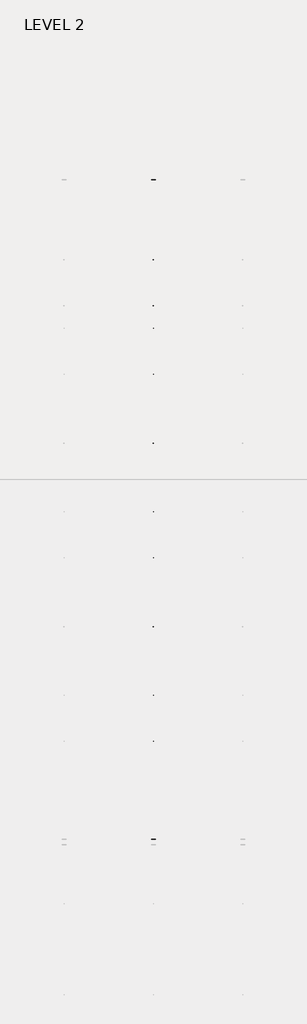
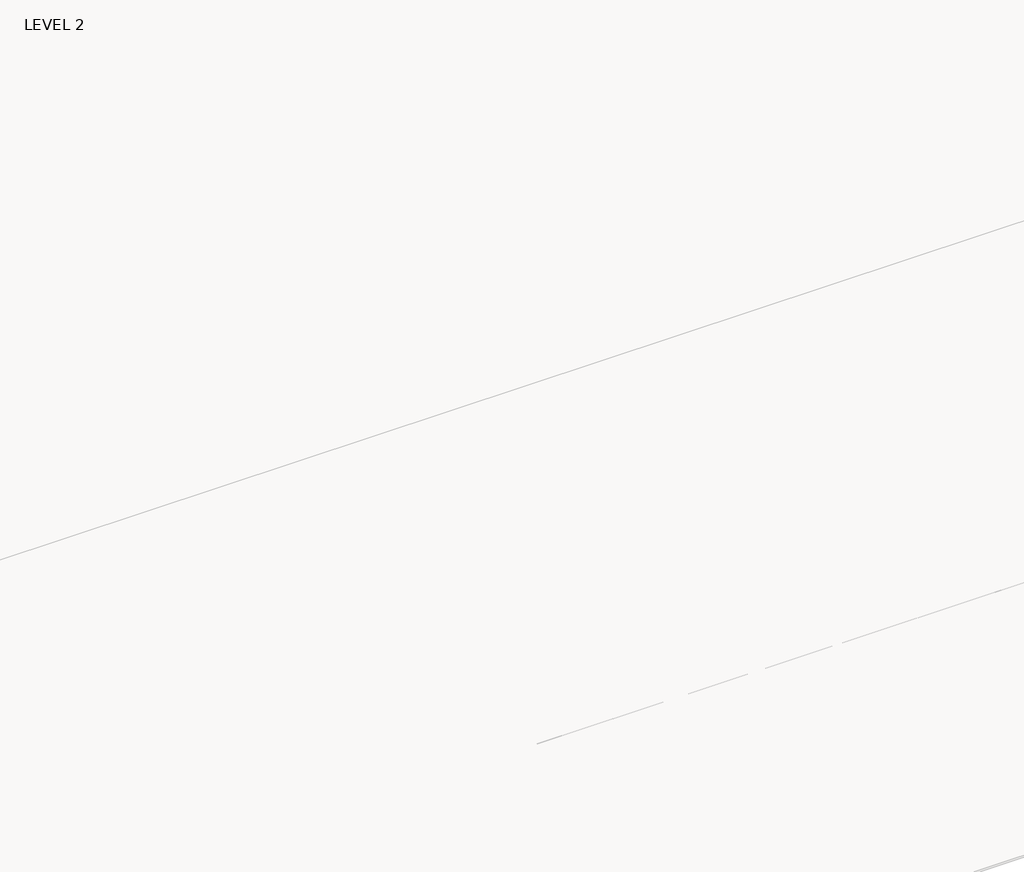
# One storey, part 49 of 67: 1 beam.
"""IFC4 building model written with IfcOpenShell, lengths in millimetres."""

from ifc_helpers import new_model, si_unit, frame, origin, place, context, project, spatial, polyline, outline, extrude, faceted_brep, element, save

model = new_model("IFC4")

# Units and contexts
model_context = context("Model", 3, world=origin())
ifc_project = project(units=[si_unit("LENGTHUNIT", "METRE", prefix="MILLI")], contexts=[model_context])

# Site, building, storey
site = spatial("IfcSite", under=ifc_project)
building = spatial("IfcBuilding", under=site)
storey = spatial("IfcBuildingStorey", under=building, Name="LEVEL 2", Elevation=6908.8)

# Beam
placement = place(None, origin())
element("IfcBeam", 1, ObjectType="K-Series Bar Joist-Angle Web : 30K7", at=placement, inside=storey, context=model_context, shape_type="SolidModel", body=[
    extrude(outline(polyline([(0.0, -9.525), (0.0, 0.0), (1596.011582, 0.0), (1596.011582, -9.525), (0.0, -9.525)])), frame((43982.2218142, 3035.5608234, 6301.5998528), z_axis=(0.0, -0.45537207995192985, 0.8903012236317849), x_axis=(0.0, -0.8903012236317849, -0.45537207995192985)), (0.0, 0.0, 1.0), 9.525),
    extrude(outline(polyline([(0.0, -9.525), (0.0, 0.0), (1596.011582, 0.0), (1596.011582, -9.525), (0.0, -9.525)])), frame((43972.6968142, -9405.2089013, 6276.405159), z_axis=(0.0, 0.45176233395621196, 0.8921383265046045), x_axis=(0.0, 0.8921383265046045, -0.45176233395621196)), (0.0, 0.0, 1.0), 9.525),
    extrude(outline(polyline([(4.7625, 4.7625), (4.7625, -4.7625), (-4.7625, -4.7625), (-4.7625, 4.7625), (4.7625, 4.7625)])), frame((43977.4593142, 1612.4610495, 5579.0607987), z_axis=(0.0, 0.5141906943646374, 0.8576758885667779), x_axis=(-1.0, 0.0, 0.0)), (0.0, 0.0, 1.0), 845.0528554),
    extrude(outline(polyline([(4.7625, 4.7625), (4.7625, -4.7625), (-4.7625, -4.7625), (-4.7625, 4.7625), (4.7625, 4.7625)])), frame((43977.4593142, -7979.1942813, 5559.6360505), z_axis=(0.0, -0.5176603441548682, 0.8555862131249332), x_axis=(-1.0, 0.0, 0.0)), (0.0, 0.0, 1.0), 845.0528554),
    extrude(outline(polyline([(0.0, 0.0), (31.75, 0.0), (31.75, -6.35), (6.35, -6.35), (6.35, -31.75), (0.0, -31.75), (0.0, 0.0)])), frame((43982.2218142, -8080.7812131, 5553.0803065), z_axis=(0.0, 0.9999979493462576, 0.0020251674695521043), x_axis=(1.0, 0.0, 0.0)), (0.0, 0.0, 1.0), 9794.875),
    extrude(outline(polyline([(-9.525, 0.0), (-9.525, -31.75), (-15.875, -31.75), (-15.875, -6.35), (-41.275, -6.35), (-41.275, 0.0), (-9.525, 0.0)])), frame((43982.2218142, -8080.7812131, 5553.0803065), z_axis=(0.0, 0.9999979493462576, 0.0020251674695521043), x_axis=(1.0, 0.0, 0.0)), (0.0, 0.0, 1.0), 9794.875),
    extrude(outline(polyline([(-31.75, 0.0), (0.0, 0.0), (0.0, -6.35), (-25.4, -6.35), (-25.4, -31.75), (-31.75, -31.75), (-31.75, 0.0)])), frame((44013.9718142, -9504.5928758, 6248.6982759), z_axis=(0.0, 0.9999979493462576, 0.0020251674695521043), x_axis=(1.0, 0.0, 0.0)), (0.0, 0.0, 1.0), 101.6),
    extrude(outline(polyline([(-41.275, 0.0), (-41.275, -31.75), (-47.625, -31.75), (-47.625, -6.35), (-73.025, -6.35), (-73.025, 0.0), (-41.275, 0.0)])), frame((44013.9718142, -9504.5928758, 6248.6982759), z_axis=(0.0, 0.9999979493462576, 0.0020251674695521043), x_axis=(1.0, 0.0, 0.0)), (0.0, 0.0, 1.0), 101.6),
    extrude(outline(polyline([(0.0, 0.0), (31.75, 0.0), (31.75, -6.35), (6.35, -6.35), (6.35, -31.75), (0.0, -31.75), (0.0, 0.0)])), frame((43972.6968142, 3033.456413, 6274.0899775), z_axis=(0.0, 0.9999979493462576, 0.0020251674695521043), x_axis=(0.0, -0.0020251674695521043, 0.9999979493462576)), (0.0, 0.0, 1.0), 101.6),
    extrude(outline(polyline([(0.0, 41.275), (6.35, 41.275), (6.35, 15.875), (31.75, 15.875), (31.75, 9.525), (0.0, 9.525), (0.0, 41.275)])), frame((43972.6968142, 3033.456413, 6274.0899775), z_axis=(0.0, 0.9999979493462576, 0.0020251674695521043), x_axis=(0.0, -0.0020251674695521043, 0.9999979493462576)), (0.0, 0.0, 1.0), 101.6),
    extrude(outline(polyline([(0.0, 0.0), (31.75, 0.0), (31.75, -6.35), (6.35, -6.35), (6.35, -31.75), (0.0, -31.75), (0.0, 0.0)])), frame((43982.2218142, -9504.7214739, 6312.1981457), z_axis=(0.0, 0.9999979493462576, 0.0020251674695521043), x_axis=(0.0, 0.0020251674695521043, -0.9999979493462576)), (0.0, 0.0, 1.0), 12639.675),
    extrude(outline(polyline([(0.0, 9.525), (0.0, 41.275), (6.35, 41.275), (6.35, 15.875), (31.75, 15.875), (31.75, 9.525), (0.0, 9.525)])), frame((43982.2218142, -9504.7214739, 6312.1981457), z_axis=(0.0, 0.9999979493462576, 0.0020251674695521043), x_axis=(0.0, 0.0020251674695521043, -0.9999979493462576)), (0.0, 0.0, 1.0), 12639.675),
    faceted_brep([(43977.4593142, 1612.4289, 5594.9357661), (43977.4593142, 1612.4674794, 5575.8858052), (43972.6968142, 1612.4674794, 5575.8858052), (43972.6968142, 1612.4289, 5594.9357661), (43977.4593142, 1611.5910583, 5594.9340693), (43977.4593142, 1186.8149607, 6330.6753354), (43977.4593142, 1168.6028414, 6330.6384527), (43977.4593142, 1168.6414208, 6311.5884918), (43977.4593142, 1175.8292494, 6311.6030483), (43977.4593142, 1600.6053471, 5575.8617823), (43972.6968142, 1600.6053471, 5575.8617823), (43972.6968142, 1580.4651011, 5610.7460665), (43972.6968142, 1584.5895575, 5613.1272983), (43972.6968142, 1189.1083632, 6298.1277874), (43972.6968142, 1184.9839067, 6295.7465555), (43972.6968142, 1175.8292494, 6311.6030483), (43972.6968142, 1168.6414208, 6311.5884918), (43972.6968142, 1168.6028414, 6330.6384527), (43972.6968142, 1186.8149607, 6330.6753354), (43972.6968142, 1611.5910583, 5594.9340693), (43959.9968142, 1184.9839067, 6295.7465555), (43959.9968142, 1580.4651011, 5610.7460665), (43959.9968142, 1584.5895575, 5613.1272983), (43959.9968142, 1189.1083632, 6298.1277874)], [[[0, 1, 2, 3]], [[1, 0, 4, 5, 6, 7, 8, 9]], [[2, 1, 9, 10]], [[3, 2, 10, 11, 12, 13, 14, 15, 16, 17, 18, 19]], [[0, 3, 19, 4]], [[9, 8, 15, 14, 20, 21, 11, 10]], [[5, 4, 19, 18]], [[7, 6, 17, 16]], [[8, 7, 16, 15]], [[6, 5, 18, 17]], [[21, 22, 12, 11]], [[20, 14, 13, 23]], [[22, 21, 20, 23]], [[12, 22, 23, 13]]]),
    extrude(outline(polyline([(740.498813, 5574.119919), (740.4602335, 5593.1698799), (741.2980751, 5593.1715767), (1163.090696, 6330.6272897), (1181.3028154, 6330.6641723), (1181.3413948, 6311.6142114), (1174.1535662, 6311.5996548), (752.3609453, 5574.1439418), (740.498813, 5574.119919)])), frame((43977.4593142, 0.0, 0.0), z_axis=(1.0, 0.0, 0.0), x_axis=(0.0, 1.0, 0.0)), (0.0, 0.0, 1.0), 4.7625),
    extrude(outline(polyline([(-4.7625, 4.7625), (-4.7625, 0.0), (-17.4625, 0.0), (-17.4625, 4.7625), (-4.7625, 4.7625)])), frame((43977.4593142, 772.3597334, 5609.1095144), z_axis=(0.0, 0.4964843899757221, 0.8680456500152716), x_axis=(-1.0, 0.0, 0.0)), (0.0, 0.0, 1.0), 790.9684223),
    faceted_brep([(43977.4593142, -7107.2577644, 5577.2769041), (43977.4593142, -7107.219185, 5558.2269432), (43972.6968142, -7107.219185, 5558.2269432), (43972.6968142, -7107.2577644, 5577.2769041), (43977.4593142, -7108.095606, 5577.2752074), (43977.4593142, -7532.8717036, 6313.0164734), (43977.4593142, -7551.083823, 6312.9795907), (43977.4593142, -7551.0452435, 6293.9296298), (43977.4593142, -7543.8574149, 6293.9441864), (43977.4593142, -7119.0813173, 5558.2029203), (43972.6968142, -7119.0813173, 5558.2029203), (43972.6968142, -7139.2215633, 5593.0872045), (43972.6968142, -7135.0971068, 5595.4684363), (43972.6968142, -7530.5783012, 6280.4689254), (43972.6968142, -7534.7027576, 6278.0876936), (43972.6968142, -7543.8574149, 6293.9441864), (43972.6968142, -7551.0452435, 6293.9296298), (43972.6968142, -7551.083823, 6312.9795907), (43972.6968142, -7532.8717036, 6313.0164734), (43972.6968142, -7108.095606, 5577.2752074), (43959.9968142, -7534.7027576, 6278.0876936), (43959.9968142, -7139.2215633, 5593.0872045), (43959.9968142, -7135.0971068, 5595.4684363), (43959.9968142, -7530.5783012, 6280.4689254)], [[[0, 1, 2, 3]], [[1, 0, 4, 5, 6, 7, 8, 9]], [[2, 1, 9, 10]], [[3, 2, 10, 11, 12, 13, 14, 15, 16, 17, 18, 19]], [[0, 3, 19, 4]], [[9, 8, 15, 14, 20, 21, 11, 10]], [[5, 4, 19, 18]], [[7, 6, 17, 16]], [[8, 7, 16, 15]], [[6, 5, 18, 17]], [[21, 22, 12, 11]], [[20, 14, 13, 23]], [[22, 21, 20, 23]], [[12, 22, 23, 13]]]),
    extrude(outline(polyline([(-7979.1878514, 5556.461057), (-7979.2264308, 5575.5110179), (-7978.3885892, 5575.5127147), (-7556.5959683, 6312.9684277), (-7538.383849, 6313.0053103), (-7538.3452696, 6293.9553494), (-7545.5330982, 6293.9407928), (-7967.3257191, 5556.4850798), (-7979.1878514, 5556.461057)])), frame((43977.4593142, 0.0, 0.0), z_axis=(1.0, 0.0, 0.0), x_axis=(0.0, 1.0, 0.0)), (0.0, 0.0, 1.0), 4.7625),
    extrude(outline(polyline([(-4.7625, 4.7625), (-4.7625, 0.0), (-17.4625, 0.0), (-17.4625, 4.7625), (-4.7625, 4.7625)])), frame((43977.4593142, -7947.326931, 5591.4506524), z_axis=(0.0, 0.4964843899757221, 0.8680456500152716), x_axis=(-1.0, 0.0, 0.0)), (0.0, 0.0, 1.0), 790.9684223),
    faceted_brep([(43977.4593142, 740.4602335, 5593.1698799), (43977.4593142, 740.498813, 5574.119919), (43972.6968142, 740.498813, 5574.119919), (43972.6968142, 740.4602335, 5593.1698799), (43977.4593142, 739.6223919, 5593.1681831), (43977.4593142, 314.8462943, 6328.9094492), (43977.4593142, 296.634175, 6328.8725665), (43977.4593142, 296.6727544, 6309.8226056), (43977.4593142, 303.860583, 6309.8371621), (43977.4593142, 728.6366806, 5574.0958961), (43972.6968142, 728.6366806, 5574.0958961), (43972.6968142, 708.4964346, 5608.9801803), (43972.6968142, 712.6208911, 5611.3614121), (43972.6968142, 317.1396968, 6296.3619012), (43972.6968142, 313.0152403, 6293.9806693), (43972.6968142, 303.860583, 6309.8371621), (43972.6968142, 296.6727544, 6309.8226056), (43972.6968142, 296.634175, 6328.8725665), (43972.6968142, 314.8462943, 6328.9094492), (43972.6968142, 739.6223919, 5593.1681831), (43959.9968142, 313.0152403, 6293.9806693), (43959.9968142, 708.4964346, 5608.9801803), (43959.9968142, 712.6208911, 5611.3614121), (43959.9968142, 317.1396968, 6296.3619012)], [[[0, 1, 2, 3]], [[1, 0, 4, 5, 6, 7, 8, 9]], [[2, 1, 9, 10]], [[3, 2, 10, 11, 12, 13, 14, 15, 16, 17, 18, 19]], [[0, 3, 19, 4]], [[9, 8, 15, 14, 20, 21, 11, 10]], [[5, 4, 19, 18]], [[7, 6, 17, 16]], [[8, 7, 16, 15]], [[6, 5, 18, 17]], [[21, 22, 12, 11]], [[20, 14, 13, 23]], [[22, 21, 20, 23]], [[12, 22, 23, 13]]]),
    extrude(outline(polyline([(-131.4698535, 5572.3540328), (-131.5084329, 5591.4039937), (-130.6705913, 5591.4056905), (291.1220296, 6328.8614035), (309.3341489, 6328.8982861), (309.3727284, 6309.8483252), (302.1848998, 6309.8337686), (-119.6077211, 5572.3780556), (-131.4698535, 5572.3540328)])), frame((43977.4593142, 0.0, 0.0), z_axis=(1.0, 0.0, 0.0), x_axis=(0.0, 1.0, 0.0)), (0.0, 0.0, 1.0), 4.7625),
    extrude(outline(polyline([(-4.7625, 4.7625), (-4.7625, 0.0), (-17.4625, 0.0), (-17.4625, 4.7625), (-4.7625, 4.7625)])), frame((43977.4593142, -99.6089331, 5607.3436282), z_axis=(0.0, 0.4964843899757221, 0.8680456500152716), x_axis=(-1.0, 0.0, 0.0)), (0.0, 0.0, 1.0), 790.9684223),
    faceted_brep([(43977.4593142, -131.5084329, 5591.4039937), (43977.4593142, -131.4698535, 5572.3540328), (43972.6968142, -131.4698535, 5572.3540328), (43972.6968142, -131.5084329, 5591.4039937), (43977.4593142, -132.3462745, 5591.4022969), (43977.4593142, -557.1223722, 6327.143563), (43977.4593142, -575.3344915, 6327.1066803), (43977.4593142, -575.295912, 6308.0567194), (43977.4593142, -568.1080834, 6308.0712759), (43977.4593142, -143.3319858, 5572.3300099), (43972.6968142, -143.3319858, 5572.3300099), (43972.6968142, -163.4722318, 5607.2142941), (43972.6968142, -159.3477753, 5609.5955259), (43972.6968142, -554.8289697, 6294.596015), (43972.6968142, -558.9534262, 6292.2147831), (43972.6968142, -568.1080834, 6308.0712759), (43972.6968142, -575.295912, 6308.0567194), (43972.6968142, -575.3344915, 6327.1066803), (43972.6968142, -557.1223722, 6327.143563), (43972.6968142, -132.3462745, 5591.4022969), (43959.9968142, -558.9534262, 6292.2147831), (43959.9968142, -163.4722318, 5607.2142941), (43959.9968142, -159.3477753, 5609.5955259), (43959.9968142, -554.8289697, 6294.596015)], [[[0, 1, 2, 3]], [[1, 0, 4, 5, 6, 7, 8, 9]], [[2, 1, 9, 10]], [[3, 2, 10, 11, 12, 13, 14, 15, 16, 17, 18, 19]], [[0, 3, 19, 4]], [[9, 8, 15, 14, 20, 21, 11, 10]], [[5, 4, 19, 18]], [[7, 6, 17, 16]], [[8, 7, 16, 15]], [[6, 5, 18, 17]], [[21, 22, 12, 11]], [[20, 14, 13, 23]], [[22, 21, 20, 23]], [[12, 22, 23, 13]]]),
    extrude(outline(polyline([(-1003.4385199, 5570.5881466), (-1003.4770993, 5589.6381075), (-1002.6392577, 5589.6398043), (-580.8466368, 6327.0955173), (-562.6345175, 6327.1323999), (-562.5959381, 6308.082439), (-569.7837667, 6308.0678824), (-991.5763876, 5570.6121694), (-1003.4385199, 5570.5881466)])), frame((43977.4593142, 0.0, 0.0), z_axis=(1.0, 0.0, 0.0), x_axis=(0.0, 1.0, 0.0)), (0.0, 0.0, 1.0), 4.7625),
    extrude(outline(polyline([(-4.7625, 4.7625), (-4.7625, 0.0), (-17.4625, 0.0), (-17.4625, 4.7625), (-4.7625, 4.7625)])), frame((43977.4593142, -971.5775995, 5605.577742), z_axis=(0.0, 0.4964843899757221, 0.8680456500152716), x_axis=(-1.0, 0.0, 0.0)), (0.0, 0.0, 1.0), 790.9684223),
    faceted_brep([(43977.4593142, -1003.4770993, 5589.6381075), (43977.4593142, -1003.4385199, 5570.5881466), (43972.6968142, -1003.4385199, 5570.5881466), (43972.6968142, -1003.4770993, 5589.6381075), (43977.4593142, -1004.314941, 5589.6364107), (43977.4593142, -1429.0910386, 6325.3776768), (43977.4593142, -1447.3031579, 6325.3407941), (43977.4593142, -1447.2645785, 6306.2908332), (43977.4593142, -1440.0767499, 6306.3053897), (43977.4593142, -1015.3006522, 5570.5641237), (43972.6968142, -1015.3006522, 5570.5641237), (43972.6968142, -1035.4408983, 5605.4484079), (43972.6968142, -1031.3164418, 5607.8296397), (43972.6968142, -1426.7976361, 6292.8301288), (43972.6968142, -1430.9220926, 6290.4488969), (43972.6968142, -1440.0767499, 6306.3053897), (43972.6968142, -1447.2645785, 6306.2908332), (43972.6968142, -1447.3031579, 6325.3407941), (43972.6968142, -1429.0910386, 6325.3776768), (43972.6968142, -1004.314941, 5589.6364107), (43959.9968142, -1430.9220926, 6290.4488969), (43959.9968142, -1035.4408983, 5605.4484079), (43959.9968142, -1031.3164418, 5607.8296397), (43959.9968142, -1426.7976361, 6292.8301288)], [[[0, 1, 2, 3]], [[1, 0, 4, 5, 6, 7, 8, 9]], [[2, 1, 9, 10]], [[3, 2, 10, 11, 12, 13, 14, 15, 16, 17, 18, 19]], [[0, 3, 19, 4]], [[9, 8, 15, 14, 20, 21, 11, 10]], [[5, 4, 19, 18]], [[7, 6, 17, 16]], [[8, 7, 16, 15]], [[6, 5, 18, 17]], [[21, 22, 12, 11]], [[20, 14, 13, 23]], [[22, 21, 20, 23]], [[12, 22, 23, 13]]]),
    extrude(outline(polyline([(-1875.4071863, 5568.8222604), (-1875.4457658, 5587.8722213), (-1874.6079242, 5587.8739181), (-1452.8153033, 6325.3296311), (-1434.6031839, 6325.3665137), (-1434.5646045, 6306.3165528), (-1441.7524331, 6306.3019962), (-1863.545054, 5568.8462832), (-1875.4071863, 5568.8222604)])), frame((43977.4593142, 0.0, 0.0), z_axis=(1.0, 0.0, 0.0), x_axis=(0.0, 1.0, 0.0)), (0.0, 0.0, 1.0), 4.7625),
    extrude(outline(polyline([(-4.7625, 4.7625001), (-4.7625, 0.0), (-17.4625, 0.0), (-17.4625, 4.7625001), (-4.7625, 4.7625001)])), frame((43977.4593142, -1843.5462659, 5603.8118558), z_axis=(0.0, 0.4964843899757221, 0.8680456500152716), x_axis=(-1.0, 0.0, 0.0)), (0.0, 0.0, 1.0), 790.9684223),
    faceted_brep([(43977.4593142, -1875.4457658, 5587.8722213), (43977.4593142, -1875.4071863, 5568.8222604), (43972.6968142, -1875.4071863, 5568.8222604), (43972.6968142, -1875.4457658, 5587.8722213), (43977.4593142, -1876.2836074, 5587.8705245), (43977.4593142, -2301.059705, 6323.6117906), (43977.4593142, -2319.2718243, 6323.5749079), (43977.4593142, -2319.2332449, 6304.524947), (43977.4593142, -2312.0454163, 6304.5395035), (43977.4593142, -1887.2693187, 5568.7982375), (43972.6968142, -1887.2693187, 5568.7982375), (43972.6968142, -1907.4095647, 5603.6825217), (43972.6968142, -1903.2851082, 5606.0637535), (43972.6968142, -2298.7663026, 6291.0642426), (43972.6968142, -2302.890759, 6288.6830107), (43972.6968142, -2312.0454163, 6304.5395035), (43972.6968142, -2319.2332449, 6304.524947), (43972.6968142, -2319.2718243, 6323.5749079), (43972.6968142, -2301.059705, 6323.6117906), (43972.6968142, -1876.2836074, 5587.8705245), (43959.9968142, -2302.890759, 6288.6830107), (43959.9968142, -1907.4095647, 5603.6825217), (43959.9968142, -1903.2851082, 5606.0637535), (43959.9968142, -2298.7663026, 6291.0642426)], [[[0, 1, 2, 3]], [[1, 0, 4, 5, 6, 7, 8, 9]], [[2, 1, 9, 10]], [[3, 2, 10, 11, 12, 13, 14, 15, 16, 17, 18, 19]], [[0, 3, 19, 4]], [[9, 8, 15, 14, 20, 21, 11, 10]], [[5, 4, 19, 18]], [[7, 6, 17, 16]], [[8, 7, 16, 15]], [[6, 5, 18, 17]], [[21, 22, 12, 11]], [[20, 14, 13, 23]], [[22, 21, 20, 23]], [[12, 22, 23, 13]]]),
    extrude(outline(polyline([(-2747.3758528, 5567.0563742), (-2747.4144322, 5586.1063351), (-2746.5765906, 5586.1080319), (-2324.7839697, 6323.5637449), (-2306.5718504, 6323.6006275), (-2306.5332709, 6304.5506666), (-2313.7210995, 6304.53611), (-2735.5137204, 5567.080397), (-2747.3758528, 5567.0563742)])), frame((43977.4593142, 0.0, 0.0), z_axis=(1.0, 0.0, 0.0), x_axis=(0.0, 1.0, 0.0)), (0.0, 0.0, 1.0), 4.7625),
    extrude(outline(polyline([(-4.7625, 4.7625), (-4.7625, 0.0), (-17.4625, 0.0), (-17.4625, 4.7625), (-4.7625, 4.7625)])), frame((43977.4593142, -2715.5149324, 5602.0459696), z_axis=(0.0, 0.4964843899757221, 0.8680456500152716), x_axis=(-1.0, 0.0, 0.0)), (0.0, 0.0, 1.0), 790.9684223),
    faceted_brep([(43977.4593142, -2747.4144322, 5586.1063351), (43977.4593142, -2747.3758528, 5567.0563742), (43972.6968142, -2747.3758528, 5567.0563742), (43972.6968142, -2747.4144322, 5586.1063351), (43977.4593142, -2748.2522738, 5586.1046383), (43977.4593142, -3173.0283715, 6321.8459044), (43977.4593142, -3191.2404908, 6321.8090217), (43977.4593142, -3191.2019113, 6302.7590608), (43977.4593142, -3184.0140827, 6302.7736173), (43977.4593142, -2759.2379851, 5567.0323513), (43972.6968142, -2759.2379851, 5567.0323513), (43972.6968142, -2779.3782311, 5601.9166355), (43972.6968142, -2775.2537747, 5604.2978673), (43972.6968142, -3170.734969, 6289.2983564), (43972.6968142, -3174.8594255, 6286.9171245), (43972.6968142, -3184.0140827, 6302.7736173), (43972.6968142, -3191.2019113, 6302.7590608), (43972.6968142, -3191.2404908, 6321.8090217), (43972.6968142, -3173.0283715, 6321.8459044), (43972.6968142, -2748.2522738, 5586.1046383), (43959.9968142, -3174.8594255, 6286.9171245), (43959.9968142, -2779.3782311, 5601.9166355), (43959.9968142, -2775.2537747, 5604.2978673), (43959.9968142, -3170.734969, 6289.2983564)], [[[0, 1, 2, 3]], [[1, 0, 4, 5, 6, 7, 8, 9]], [[2, 1, 9, 10]], [[3, 2, 10, 11, 12, 13, 14, 15, 16, 17, 18, 19]], [[0, 3, 19, 4]], [[9, 8, 15, 14, 20, 21, 11, 10]], [[5, 4, 19, 18]], [[7, 6, 17, 16]], [[8, 7, 16, 15]], [[6, 5, 18, 17]], [[21, 22, 12, 11]], [[20, 14, 13, 23]], [[22, 21, 20, 23]], [[12, 22, 23, 13]]]),
    extrude(outline(polyline([(-3619.3445192, 5565.290488), (-3619.3830987, 5584.3404489), (-3618.545257, 5584.3421457), (-3196.7526361, 6321.7978587), (-3178.5405168, 6321.8347413), (-3178.5019374, 6302.7847804), (-3185.689766, 6302.7702238), (-3607.4823869, 5565.3145108), (-3619.3445192, 5565.290488)])), frame((43977.4593142, 0.0, 0.0), z_axis=(1.0, 0.0, 0.0), x_axis=(0.0, 1.0, 0.0)), (0.0, 0.0, 1.0), 4.7625),
    extrude(outline(polyline([(-4.7625, 4.7625), (-4.7625, 0.0), (-17.4625, 0.0), (-17.4625, 4.7625), (-4.7625, 4.7625)])), frame((43977.4593142, -3587.4835988, 5600.2800834), z_axis=(0.0, 0.4964843899757221, 0.8680456500152716), x_axis=(-1.0, 0.0, 0.0)), (0.0, 0.0, 1.0), 790.9684223),
    faceted_brep([(43977.4593142, -3619.3830987, 5584.3404489), (43977.4593142, -3619.3445192, 5565.290488), (43972.6968142, -3619.3445192, 5565.290488), (43972.6968142, -3619.3830987, 5584.3404489), (43977.4593142, -3620.2209403, 5584.3387521), (43977.4593142, -4044.9970379, 6320.0800182), (43977.4593142, -4063.2091572, 6320.0431355), (43977.4593142, -4063.1705778, 6300.9931746), (43977.4593142, -4055.9827492, 6301.0077311), (43977.4593142, -3631.2066516, 5565.2664651), (43972.6968142, -3631.2066516, 5565.2664651), (43972.6968142, -3651.3468976, 5600.1507493), (43972.6968142, -3647.2224411, 5602.5319811), (43972.6968142, -4042.7036354, 6287.5324702), (43972.6968142, -4046.8280919, 6285.1512383), (43972.6968142, -4055.9827492, 6301.0077311), (43972.6968142, -4063.1705778, 6300.9931746), (43972.6968142, -4063.2091572, 6320.0431355), (43972.6968142, -4044.9970379, 6320.0800182), (43972.6968142, -3620.2209403, 5584.3387521), (43959.9968142, -4046.8280919, 6285.1512383), (43959.9968142, -3651.3468976, 5600.1507493), (43959.9968142, -3647.2224411, 5602.5319811), (43959.9968142, -4042.7036354, 6287.5324702)], [[[0, 1, 2, 3]], [[1, 0, 4, 5, 6, 7, 8, 9]], [[2, 1, 9, 10]], [[3, 2, 10, 11, 12, 13, 14, 15, 16, 17, 18, 19]], [[0, 3, 19, 4]], [[9, 8, 15, 14, 20, 21, 11, 10]], [[5, 4, 19, 18]], [[7, 6, 17, 16]], [[8, 7, 16, 15]], [[6, 5, 18, 17]], [[21, 22, 12, 11]], [[20, 14, 13, 23]], [[22, 21, 20, 23]], [[12, 22, 23, 13]]]),
    extrude(outline(polyline([(-4491.3131857, 5563.5246018), (-4491.3517651, 5582.5745627), (-4490.5139235, 5582.5762595), (-4068.7213026, 6320.0319725), (-4050.5091833, 6320.0688551), (-4050.4706038, 6301.0188942), (-4057.6584324, 6301.0043376), (-4479.4510533, 5563.5486246), (-4491.3131857, 5563.5246018)])), frame((43977.4593142, 0.0, 0.0), z_axis=(1.0, 0.0, 0.0), x_axis=(0.0, 1.0, 0.0)), (0.0, 0.0, 1.0), 4.7625),
    extrude(outline(polyline([(-4.7625, 4.7625), (-4.7625, 0.0), (-17.4625, 0.0), (-17.4625, 4.7625), (-4.7625, 4.7625)])), frame((43977.4593142, -4459.4522653, 5598.5141972), z_axis=(0.0, 0.4964843899757221, 0.8680456500152716), x_axis=(-1.0, 0.0, 0.0)), (0.0, 0.0, 1.0), 790.9684223),
    faceted_brep([(43977.4593142, -4491.3517651, 5582.5745627), (43977.4593142, -4491.3131857, 5563.5246018), (43972.6968142, -4491.3131857, 5563.5246018), (43972.6968142, -4491.3517651, 5582.5745627), (43977.4593142, -4492.1896067, 5582.572866), (43977.4593142, -4916.9657043, 6318.314132), (43977.4593142, -4935.1778236, 6318.2772493), (43977.4593142, -4935.1392442, 6299.2272884), (43977.4593142, -4927.9514156, 6299.241845), (43977.4593142, -4503.175318, 5563.5005789), (43972.6968142, -4503.175318, 5563.5005789), (43972.6968142, -4523.315564, 5598.3848631), (43972.6968142, -4519.1911075, 5600.7660949), (43972.6968142, -4914.6723019, 6285.766584), (43972.6968142, -4918.7967583, 6283.3853521), (43972.6968142, -4927.9514156, 6299.241845), (43972.6968142, -4935.1392442, 6299.2272884), (43972.6968142, -4935.1778236, 6318.2772493), (43972.6968142, -4916.9657043, 6318.314132), (43972.6968142, -4492.1896067, 5582.572866), (43959.9968142, -4918.7967583, 6283.3853521), (43959.9968142, -4523.315564, 5598.3848631), (43959.9968142, -4519.1911075, 5600.7660949), (43959.9968142, -4914.6723019, 6285.766584)], [[[0, 1, 2, 3]], [[1, 0, 4, 5, 6, 7, 8, 9]], [[2, 1, 9, 10]], [[3, 2, 10, 11, 12, 13, 14, 15, 16, 17, 18, 19]], [[0, 3, 19, 4]], [[9, 8, 15, 14, 20, 21, 11, 10]], [[5, 4, 19, 18]], [[7, 6, 17, 16]], [[8, 7, 16, 15]], [[6, 5, 18, 17]], [[21, 22, 12, 11]], [[20, 14, 13, 23]], [[22, 21, 20, 23]], [[12, 22, 23, 13]]]),
    extrude(outline(polyline([(-5363.2818521, 5561.7587156), (-5363.3204315, 5580.8086765), (-5362.4825899, 5580.8103733), (-4940.689969, 6318.2660863), (-4922.4778497, 6318.3029689), (-4922.4392703, 6299.253008), (-4929.6270988, 6299.2384514), (-5351.4197198, 5561.7827384), (-5363.2818521, 5561.7587156)])), frame((43977.4593142, 0.0, 0.0), z_axis=(1.0, 0.0, 0.0), x_axis=(0.0, 1.0, 0.0)), (0.0, 0.0, 1.0), 4.7625),
    extrude(outline(polyline([(-4.7625, 4.7625), (-4.7625, 0.0), (-17.4625, 0.0), (-17.4625, 4.7625), (-4.7625, 4.7625)])), frame((43977.4593142, -5331.4209317, 5596.748311), z_axis=(0.0, 0.4964843899757221, 0.8680456500152716), x_axis=(-1.0, 0.0, 0.0)), (0.0, 0.0, 1.0), 790.9684223),
    faceted_brep([(43977.4593142, -5363.3204315, 5580.8086765), (43977.4593142, -5363.2818521, 5561.7587156), (43972.6968142, -5363.2818521, 5561.7587156), (43972.6968142, -5363.3204315, 5580.8086765), (43977.4593142, -5364.1582731, 5580.8069798), (43977.4593142, -5788.9343708, 6316.5482458), (43977.4593142, -5807.1464901, 6316.5113631), (43977.4593142, -5807.1079106, 6297.4614022), (43977.4593142, -5799.920082, 6297.4759588), (43977.4593142, -5375.1439844, 5561.7346927), (43972.6968142, -5375.1439844, 5561.7346927), (43972.6968142, -5395.2842304, 5596.6189769), (43972.6968142, -5391.159774, 5599.0002087), (43972.6968142, -5786.6409683, 6284.0006978), (43972.6968142, -5790.7654248, 6281.6194659), (43972.6968142, -5799.920082, 6297.4759588), (43972.6968142, -5807.1079106, 6297.4614022), (43972.6968142, -5807.1464901, 6316.5113631), (43972.6968142, -5788.9343708, 6316.5482458), (43972.6968142, -5364.1582731, 5580.8069798), (43959.9968142, -5790.7654248, 6281.6194659), (43959.9968142, -5395.2842304, 5596.6189769), (43959.9968142, -5391.159774, 5599.0002087), (43959.9968142, -5786.6409683, 6284.0006978)], [[[0, 1, 2, 3]], [[1, 0, 4, 5, 6, 7, 8, 9]], [[2, 1, 9, 10]], [[3, 2, 10, 11, 12, 13, 14, 15, 16, 17, 18, 19]], [[0, 3, 19, 4]], [[9, 8, 15, 14, 20, 21, 11, 10]], [[5, 4, 19, 18]], [[7, 6, 17, 16]], [[8, 7, 16, 15]], [[6, 5, 18, 17]], [[21, 22, 12, 11]], [[20, 14, 13, 23]], [[22, 21, 20, 23]], [[12, 22, 23, 13]]]),
    extrude(outline(polyline([(-6235.2505185, 5559.9928294), (-6235.289098, 5579.0427903), (-6234.4512563, 5579.0444871), (-5812.6586354, 6316.5002001), (-5794.4465161, 6316.5370827), (-5794.4079367, 6297.4871218), (-5801.5957653, 6297.4725652), (-6223.3883862, 5560.0168522), (-6235.2505185, 5559.9928294)])), frame((43977.4593142, 0.0, 0.0), z_axis=(1.0, 0.0, 0.0), x_axis=(0.0, 1.0, 0.0)), (0.0, 0.0, 1.0), 4.7625),
    extrude(outline(polyline([(-4.7625, 4.7625), (-4.7625, 0.0), (-17.4625, 0.0), (-17.4625, 4.7625), (-4.7625, 4.7625)])), frame((43977.4593142, -6203.3895981, 5594.9824248), z_axis=(0.0, 0.4964843899757221, 0.8680456500152716), x_axis=(-1.0, 0.0, 0.0)), (0.0, 0.0, 1.0), 790.9684223),
    faceted_brep([(43977.4593142, -6235.289098, 5579.0427903), (43977.4593142, -6235.2505185, 5559.9928294), (43972.6968142, -6235.2505185, 5559.9928294), (43972.6968142, -6235.289098, 5579.0427903), (43977.4593142, -6236.1269396, 5579.0410936), (43977.4593142, -6660.9030372, 6314.7823596), (43977.4593142, -6679.1151565, 6314.7454769), (43977.4593142, -6679.0765771, 6295.695516), (43977.4593142, -6671.8887485, 6295.7100726), (43977.4593142, -6247.1126509, 5559.9688065), (43972.6968142, -6247.1126509, 5559.9688065), (43972.6968142, -6267.2528969, 5594.8530907), (43972.6968142, -6263.1284404, 5597.2343225), (43972.6968142, -6658.6096347, 6282.2348116), (43972.6968142, -6662.7340912, 6279.8535798), (43972.6968142, -6671.8887485, 6295.7100726), (43972.6968142, -6679.0765771, 6295.695516), (43972.6968142, -6679.1151565, 6314.7454769), (43972.6968142, -6660.9030372, 6314.7823596), (43972.6968142, -6236.1269396, 5579.0410936), (43959.9968142, -6662.7340912, 6279.8535798), (43959.9968142, -6267.2528969, 5594.8530907), (43959.9968142, -6263.1284404, 5597.2343225), (43959.9968142, -6658.6096347, 6282.2348116)], [[[0, 1, 2, 3]], [[1, 0, 4, 5, 6, 7, 8, 9]], [[2, 1, 9, 10]], [[3, 2, 10, 11, 12, 13, 14, 15, 16, 17, 18, 19]], [[0, 3, 19, 4]], [[9, 8, 15, 14, 20, 21, 11, 10]], [[5, 4, 19, 18]], [[7, 6, 17, 16]], [[8, 7, 16, 15]], [[6, 5, 18, 17]], [[21, 22, 12, 11]], [[20, 14, 13, 23]], [[22, 21, 20, 23]], [[12, 22, 23, 13]]]),
    extrude(outline(polyline([(-7107.219185, 5558.2269432), (-7107.2577644, 5577.2769041), (-7106.4199228, 5577.2786009), (-6684.6273019, 6314.7343139), (-6666.4151826, 6314.7711965), (-6666.3766031, 6295.7212356), (-6673.5644317, 6295.706679), (-7095.3570526, 5558.250966), (-7107.219185, 5558.2269432)])), frame((43977.4593142, 0.0, 0.0), z_axis=(1.0, 0.0, 0.0), x_axis=(0.0, 1.0, 0.0)), (0.0, 0.0, 1.0), 4.7625),
    extrude(outline(polyline([(-4.7625, 4.7625), (-4.7625, 0.0), (-17.4625, 0.0), (-17.4625, 4.7625), (-4.7625, 4.7625)])), frame((43977.4593142, -7075.3582646, 5593.2165386), z_axis=(0.0, 0.4964843899757221, 0.8680456500152716), x_axis=(-1.0, 0.0, 0.0)), (0.0, 0.0, 1.0), 790.9684223),
])

save(model, "model.ifc")
